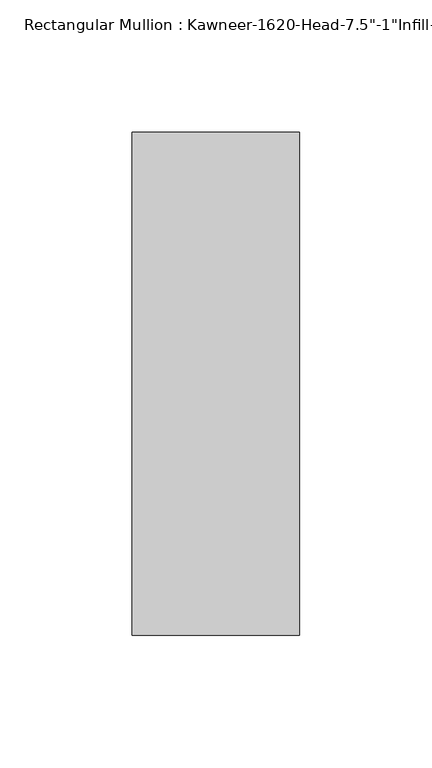
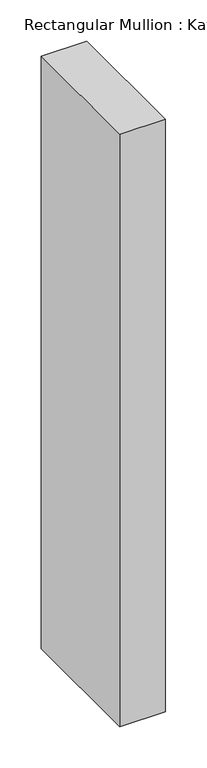
"""IFC4 building model written with IfcOpenShell, lengths in millimetres: member geometry."""

from ifc_helpers import new_model, si_unit, frame, origin, place, context, project, spatial, polyline, outline, extrude, source, transform, mapped, element, save


def member_b99dc86a(model_context):
    return source(origin(), model_context, "Body", "SweptSolid", [
        extrude(outline(polyline([(-63.5, 38.1), (0.0, 38.1), (0.0, -152.4), (-63.5, -152.4), (-63.5, 38.1)])), frame((0.0, 0.0, -876.3), z_axis=(0.0, 0.0, 1.0), x_axis=(1.0, 0.0, 0.0)), (0.0, 0.0, 1.0), 876.3),
    ])


if __name__ == "__main__":
    model = new_model("IFC4")
    model_context = context("Model", 3, world=origin())
    ifc_project = project(units=[si_unit("LENGTHUNIT", "METRE", prefix="MILLI")], contexts=[model_context])
    site = spatial("IfcSite", under=ifc_project)
    building = spatial("IfcBuilding", under=site)
    placement = place(None, origin())
    member_shape = member_b99dc86a(model_context)
    element("IfcMember", 1, ObjectType="Rectangular Mullion : Kawneer-1620-Head-7.5\"-1\"Infill-1A", at=placement, inside=building, context=model_context, shape_type="MappedRepresentation", body=[
        mapped(member_shape, transform((0.0, 0.0, 0.0), x_axis=(1.0, 0.0, 0.0), y_axis=(0.0, 1.0, 0.0), z_axis=(0.0, 0.0, 1.0))),
    ])
    save(model, "model.ifc")
